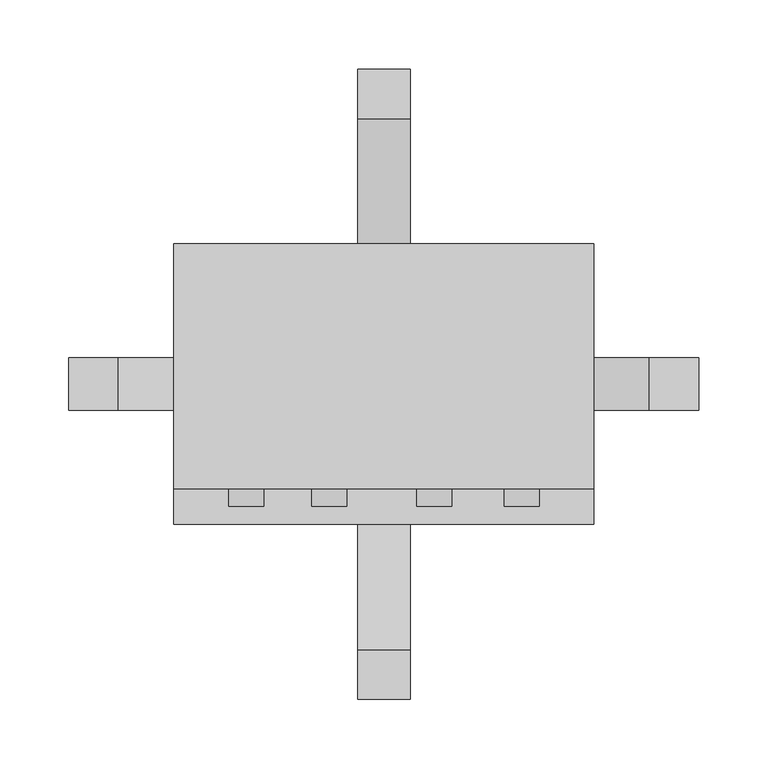
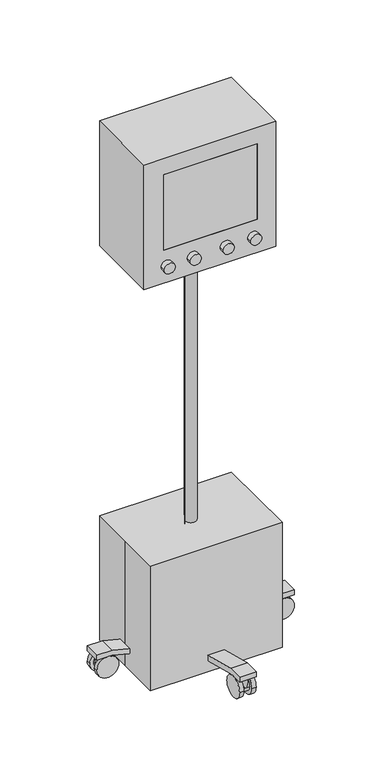
"""IFC4 building model written with IfcOpenShell, lengths in millimetres: proxy geometry."""

from ifc_helpers import new_model, si_unit, point, frame, frame_2d, origin, origin_with_axes, place, context, project, spatial, polyline, circle_curve, trimmed, segment, composite_curve, outline, extrude, faceted_brep, source, transform, mapped, element, save


def specialty_equipment_808a7331(model_context):
    return source(origin(), model_context, "Body", "SolidModel", [
        extrude(outline(composite_curve([segment(trimmed(circle_curve(frame_2d((203.0677083, 25.4)), 25.4), [point((228.4677083, 25.4))], [point((177.6677083, 25.4))], False, "CARTESIAN"), True, "CONTINUOUS"), segment(trimmed(circle_curve(frame_2d((203.0677083, 25.4)), 25.4), [point((177.6677083, 25.4))], [point((228.4677083, 25.4))], False, "CARTESIAN"), True, "CONTINUOUS")], self_intersect=False)), frame((9.4354799, 0.0, 0.0), z_axis=(1.0, 0.0, 0.0), x_axis=(0.0, 1.0, 0.0)), (0.0, 0.0, 1.0), 9.525),
        extrude(outline(composite_curve([segment(trimmed(circle_curve(frame_2d((203.0677083, 25.4)), 25.4), [point((177.6677083, 25.4))], [point((228.4677083, 25.4))], False, "CARTESIAN"), True, "CONTINUOUS"), segment(trimmed(circle_curve(frame_2d((203.0677083, 25.4)), 25.4), [point((228.4677083, 25.4))], [point((177.6677083, 25.4))], False, "CARTESIAN"), True, "CONTINUOUS")], self_intersect=False)), frame((-19.1395201, 0.0, 0.0), z_axis=(1.0, 0.0, 0.0), x_axis=(0.0, 1.0, 0.0)), (0.0, 0.0, 1.0), 9.525),
        extrude(outline(composite_curve([segment(trimmed(circle_curve(frame_2d((25.4, 203.1766257)), 25.4), [point((25.4, 177.7766257))], [point((25.4, 228.5766257))], False, "CARTESIAN"), True, "CONTINUOUS"), segment(trimmed(circle_curve(frame_2d((25.4, 203.1766257)), 25.4), [point((25.4, 228.5766257))], [point((25.4, 177.7766257))], False, "CARTESIAN"), True, "CONTINUOUS")], self_intersect=False)), frame((0.0, -19.05, 0.0), z_axis=(0.0, 1.0, 0.0), x_axis=(0.0, 0.0, 1.0)), (0.0, 0.0, 1.0), 9.525),
        extrude(outline(composite_curve([segment(trimmed(circle_curve(frame_2d((25.4, 203.1766257)), 25.4), [point((25.4, 177.7766257))], [point((25.4, 228.5766257))], False, "CARTESIAN"), True, "CONTINUOUS"), segment(trimmed(circle_curve(frame_2d((25.4, 203.1766257)), 25.4), [point((25.4, 228.5766257))], [point((25.4, 177.7766257))], False, "CARTESIAN"), True, "CONTINUOUS")], self_intersect=False)), frame((0.0, 9.525, 0.0), z_axis=(0.0, 1.0, 0.0), x_axis=(0.0, 0.0, 1.0)), (0.0, 0.0, 1.0), 9.525),
        extrude(outline(composite_curve([segment(trimmed(circle_curve(frame_2d((25.4, -203.1572284)), 25.4), [point((25.4, -228.5572284))], [point((25.4, -177.7572284))], False, "CARTESIAN"), True, "CONTINUOUS"), segment(trimmed(circle_curve(frame_2d((25.4, -203.1572284)), 25.4), [point((25.4, -177.7572284))], [point((25.4, -228.5572284))], False, "CARTESIAN"), True, "CONTINUOUS")], self_intersect=False)), frame((0.0, 9.525, 0.0), z_axis=(0.0, 1.0, 0.0), x_axis=(0.0, 0.0, 1.0)), (0.0, 0.0, 1.0), 9.525),
        extrude(outline(composite_curve([segment(trimmed(circle_curve(frame_2d((25.4, -203.1572284)), 25.4), [point((25.4, -177.7572284))], [point((25.4, -228.5572284))], False, "CARTESIAN"), True, "CONTINUOUS"), segment(trimmed(circle_curve(frame_2d((25.4, -203.1572284)), 25.4), [point((25.4, -228.5572284))], [point((25.4, -177.7572284))], False, "CARTESIAN"), True, "CONTINUOUS")], self_intersect=False)), frame((0.0, -19.05, 0.0), z_axis=(0.0, 1.0, 0.0), x_axis=(0.0, 0.0, 1.0)), (0.0, 0.0, 1.0), 9.525),
        extrude(outline(composite_curve([segment(trimmed(circle_curve(frame_2d((-203.2165365, 25.4)), 25.4), [point((-177.8165365, 25.4))], [point((-228.6165365, 25.4))], False, "CARTESIAN"), True, "CONTINUOUS"), segment(trimmed(circle_curve(frame_2d((-203.2165365, 25.4)), 25.4), [point((-228.6165365, 25.4))], [point((-177.8165365, 25.4))], False, "CARTESIAN"), True, "CONTINUOUS")], self_intersect=False)), frame((-19.1395201, 0.0, 0.0), z_axis=(1.0, 0.0, 0.0), x_axis=(0.0, 1.0, 0.0)), (0.0, 0.0, 1.0), 9.525),
        extrude(outline(composite_curve([segment(trimmed(circle_curve(frame_2d((-203.2165365, 25.4)), 25.4), [point((-177.8165365, 25.4))], [point((-228.6165365, 25.4))], False, "CARTESIAN"), True, "CONTINUOUS"), segment(trimmed(circle_curve(frame_2d((-203.2165365, 25.4)), 25.4), [point((-228.6165365, 25.4))], [point((-177.8165365, 25.4))], False, "CARTESIAN"), True, "CONTINUOUS")], self_intersect=False)), frame((9.4354799, 0.0, 0.0), z_axis=(1.0, 0.0, 0.0), x_axis=(0.0, 1.0, 0.0)), (0.0, 0.0, 1.0), 9.525),
        extrude(outline(composite_curve([segment(trimmed(circle_curve(frame_2d((-0.0895201, 211.534375)), 8.4666667), [point((-8.5561868, 211.534375))], [point((8.3771466, 211.534375))], False, "CARTESIAN"), True, "CONTINUOUS"), segment(trimmed(circle_curve(frame_2d((-0.0895201, 211.534375)), 8.4666667), [point((8.3771466, 211.534375))], [point((-8.5561868, 211.534375))], False, "CARTESIAN"), True, "CONTINUOUS")], self_intersect=False)), frame((0.0, 0.0, 25.4), z_axis=(0.0, 0.0, 1.0), x_axis=(1.0, 0.0, 0.0)), (0.0, 0.0, 1.0), 25.4),
        extrude(outline(composite_curve([segment(trimmed(circle_curve(frame_2d((203.0677083, 25.4)), 16.9333333), [point((186.134375, 25.4))], [point((220.0010417, 25.4))], False, "CARTESIAN"), True, "CONTINUOUS"), segment(trimmed(circle_curve(frame_2d((203.0677083, 25.4)), 16.9333333), [point((220.0010417, 25.4))], [point((186.134375, 25.4))], False, "CARTESIAN"), True, "CONTINUOUS")], self_intersect=False)), frame((-9.6145201, 0.0, 0.0), z_axis=(1.0, 0.0, 0.0), x_axis=(0.0, 1.0, 0.0)), (0.0, 0.0, 1.0), 19.05),
        extrude(outline(composite_curve([segment(trimmed(circle_curve(frame_2d((211.6432924, 0.0)), 8.4666667), [point((211.6432924, 8.4666667))], [point((211.6432924, -8.4666667))], False, "CARTESIAN"), True, "CONTINUOUS"), segment(trimmed(circle_curve(frame_2d((211.6432924, 0.0)), 8.4666667), [point((211.6432924, -8.4666667))], [point((211.6432924, 8.4666667))], False, "CARTESIAN"), True, "CONTINUOUS")], self_intersect=False)), frame((0.0, 0.0, 25.4), z_axis=(0.0, 0.0, 1.0), x_axis=(1.0, 0.0, 0.0)), (0.0, 0.0, 1.0), 25.4),
        extrude(outline(composite_curve([segment(trimmed(circle_curve(frame_2d((25.4, 203.1766257)), 16.9333333), [point((25.4, 186.2432924))], [point((25.4, 220.1099591))], False, "CARTESIAN"), True, "CONTINUOUS"), segment(trimmed(circle_curve(frame_2d((25.4, 203.1766257)), 16.9333333), [point((25.4, 220.1099591))], [point((25.4, 186.2432924))], False, "CARTESIAN"), True, "CONTINUOUS")], self_intersect=False)), frame((0.0, -9.525, 0.0), z_axis=(0.0, 1.0, 0.0), x_axis=(0.0, 0.0, 1.0)), (0.0, 0.0, 1.0), 19.05),
        extrude(outline(composite_curve([segment(trimmed(circle_curve(frame_2d((-211.6238951, 0.0)), 8.4666667), [point((-211.6238951, -8.4666667))], [point((-211.6238951, 8.4666667))], False, "CARTESIAN"), True, "CONTINUOUS"), segment(trimmed(circle_curve(frame_2d((-211.6238951, 0.0)), 8.4666667), [point((-211.6238951, 8.4666667))], [point((-211.6238951, -8.4666667))], False, "CARTESIAN"), True, "CONTINUOUS")], self_intersect=False)), frame((0.0, 0.0, 25.4), z_axis=(0.0, 0.0, 1.0), x_axis=(1.0, 0.0, 0.0)), (0.0, 0.0, 1.0), 25.4),
        extrude(outline(composite_curve([segment(trimmed(circle_curve(frame_2d((25.4, -203.1572284)), 16.9333333), [point((25.4, -186.2238951))], [point((25.4, -220.0905618))], False, "CARTESIAN"), True, "CONTINUOUS"), segment(trimmed(circle_curve(frame_2d((25.4, -203.1572284)), 16.9333333), [point((25.4, -220.0905618))], [point((25.4, -186.2238951))], False, "CARTESIAN"), True, "CONTINUOUS")], self_intersect=False)), frame((0.0, -9.525, 0.0), z_axis=(0.0, 1.0, 0.0), x_axis=(0.0, 0.0, 1.0)), (0.0, 0.0, 1.0), 19.05),
        extrude(outline(composite_curve([segment(trimmed(circle_curve(frame_2d((-0.0895201, -211.6832031)), 8.4666667), [point((8.3771466, -211.6832031))], [point((-8.5561868, -211.6832031))], False, "CARTESIAN"), True, "CONTINUOUS"), segment(trimmed(circle_curve(frame_2d((-0.0895201, -211.6832031)), 8.4666667), [point((-8.5561868, -211.6832031))], [point((8.3771466, -211.6832031))], False, "CARTESIAN"), True, "CONTINUOUS")], self_intersect=False)), frame((0.0, 0.0, 25.4), z_axis=(0.0, 0.0, 1.0), x_axis=(1.0, 0.0, 0.0)), (0.0, 0.0, 1.0), 25.4),
        extrude(outline(composite_curve([segment(trimmed(circle_curve(frame_2d((-203.2165365, 25.4)), 16.9333333), [point((-186.2832031, 25.4))], [point((-220.1498698, 25.4))], False, "CARTESIAN"), True, "CONTINUOUS"), segment(trimmed(circle_curve(frame_2d((-203.2165365, 25.4)), 16.9333333), [point((-220.1498698, 25.4))], [point((-186.2832031, 25.4))], False, "CARTESIAN"), True, "CONTINUOUS")], self_intersect=False)), frame((-9.6145201, 0.0, 0.0), z_axis=(1.0, 0.0, 0.0), x_axis=(0.0, 1.0, 0.0)), (0.0, 0.0, 1.0), 19.05),
        extrude(outline(polyline([(-228.6, 63.5), (-192.6166667, 63.5), (-44.45, 25.4), (44.45, 25.4), (192.6166667, 63.5), (228.6, 63.5), (228.6, 50.8), (193.8216772, 50.8), (45.6550105, 12.7), (-45.6550105, 12.7), (-193.8216772, 50.8), (-228.6, 50.8), (-228.6, 63.5)])), frame((-19.1395201, 0.0, 0.0), z_axis=(1.0, 0.0, 0.0), x_axis=(0.0, 1.0, 0.0)), (0.0, 0.0, 1.0), 38.1),
        extrude(outline(composite_curve([segment(trimmed(circle_curve(frame_2d((-0.0895201, 0.0)), 12.7), [point((-12.7895201, 0.0))], [point((12.6104799, 0.0))], False, "CARTESIAN"), True, "CONTINUOUS"), segment(trimmed(circle_curve(frame_2d((-0.0895201, 0.0)), 12.7), [point((12.6104799, 0.0))], [point((-12.7895201, 0.0))], False, "CARTESIAN"), True, "CONTINUOUS")], self_intersect=False)), frame((0.0, 0.0, 12.7), z_axis=(0.0, 0.0, 1.0), x_axis=(1.0, 0.0, 0.0)), (0.0, 0.0, 1.0), 952.5),
        extrude(outline(polyline([(63.5, -228.6895201), (50.8, -228.6895201), (50.8, -193.9111973), (12.7, -45.7445306), (12.7, 45.5654904), (50.8, 193.7321571), (50.8, 228.5104799), (63.5, 228.5104799), (63.5, 192.5271466), (25.4, 44.3604799), (25.4, -44.5395201), (63.5, -192.7061868), (63.5, -228.6895201)])), frame((0.0, -19.05, 0.0), z_axis=(0.0, 1.0, 0.0), x_axis=(0.0, 0.0, 1.0)), (0.0, 0.0, 1.0), 38.1),
        extrude(outline(composite_curve([segment(trimmed(circle_curve(frame_2d((1006.3587525, 100.0366492)), 12.7), [point((1006.3587525, 112.7366492))], [point((1006.3587525, 87.3366492))], False, "CARTESIAN"), True, "CONTINUOUS"), segment(trimmed(circle_curve(frame_2d((1006.3587525, 100.0366492)), 12.7), [point((1006.3587525, 87.3366492))], [point((1006.3587525, 112.7366492))], False, "CARTESIAN"), True, "CONTINUOUS")], self_intersect=False)), frame((0.0, -88.9, 0.0), z_axis=(0.0, 1.0, 0.0), x_axis=(0.0, 0.0, 1.0)), (0.0, 0.0, 1.0), 12.7),
        extrude(outline(composite_curve([segment(trimmed(circle_curve(frame_2d((1006.3587525, -39.7116492)), 12.7), [point((1006.3587525, -52.4116492))], [point((1006.3587525, -27.0116492))], False, "CARTESIAN"), True, "CONTINUOUS"), segment(trimmed(circle_curve(frame_2d((1006.3587525, -39.7116492)), 12.7), [point((1006.3587525, -27.0116492))], [point((1006.3587525, -52.4116492))], False, "CARTESIAN"), True, "CONTINUOUS")], self_intersect=False)), frame((0.0, -88.9, 0.0), z_axis=(0.0, 1.0, 0.0), x_axis=(0.0, 0.0, 1.0)), (0.0, 0.0, 1.0), 12.7),
        extrude(outline(composite_curve([segment(trimmed(circle_curve(frame_2d((1006.3587525, -100.0366492)), 12.7), [point((1006.3587525, -112.7366492))], [point((1006.3587525, -87.3366492))], False, "CARTESIAN"), True, "CONTINUOUS"), segment(trimmed(circle_curve(frame_2d((1006.3587525, -100.0366492)), 12.7), [point((1006.3587525, -87.3366492))], [point((1006.3587525, -112.7366492))], False, "CARTESIAN"), True, "CONTINUOUS")], self_intersect=False)), frame((0.0, -88.9, 0.0), z_axis=(0.0, 1.0, 0.0), x_axis=(0.0, 0.0, 1.0)), (0.0, 0.0, 1.0), 12.7),
        extrude(outline(composite_curve([segment(trimmed(circle_curve(frame_2d((1006.3587525, 36.4883508)), 12.7), [point((1006.3587525, 23.7883508))], [point((1006.3587525, 49.1883508))], False, "CARTESIAN"), True, "CONTINUOUS"), segment(trimmed(circle_curve(frame_2d((1006.3587525, 36.4883508)), 12.7), [point((1006.3587525, 49.1883508))], [point((1006.3587525, 23.7883508))], False, "CARTESIAN"), True, "CONTINUOUS")], self_intersect=False)), frame((0.0, -88.9, 0.0), z_axis=(0.0, 1.0, 0.0), x_axis=(0.0, 0.0, 1.0)), (0.0, 0.0, 1.0), 12.7),
        extrude(outline(polyline([(109.187649, -76.2), (-106.712351, -76.2), (-106.712351, -69.85), (109.187649, -69.85), (109.187649, -76.2)])), frame((0.0, 0.0, 1046.2028485), z_axis=(0.0, 0.0, 1.0), x_axis=(1.0, 0.0, 0.0)), (0.0, 0.0, 1.0), 184.15),
        faceted_brep([(152.4, -76.2, 1270.0), (-152.4, -76.2, 1270.0), (-152.4, -76.2, 965.2), (152.4, -76.2, 965.2), (-106.712351, -76.2, 1230.3528485), (109.187649, -76.2, 1230.3528485), (109.187649, -76.2, 1046.2028485), (-106.712351, -76.2, 1046.2028485), (152.4, 101.6, 1270.0), (152.4, 101.6, 965.2), (-152.4, 101.6, 965.2), (-152.4, 101.6, 1270.0), (109.187649, -63.5, 1230.3528485), (-106.712351, -63.5, 1230.3528485), (-106.712351, -63.5, 1046.2028485), (109.187649, -63.5, 1046.2028485)], [[[0, 1, 2, 3], [4, 5, 6, 7]], [[8, 9, 10, 11]], [[1, 0, 8, 11]], [[2, 1, 11, 10]], [[3, 2, 10, 9]], [[0, 3, 9, 8]], [[12, 13, 14, 15]], [[13, 12, 5, 4]], [[14, 13, 4, 7]], [[15, 14, 7, 6]], [[12, 15, 6, 5]]]),
        extrude(outline(polyline([(-152.4, 101.6), (152.4, 101.6), (152.4, -101.6), (-152.4, -101.6), (-152.4, 0.0), (-152.4, 101.6)])), origin_with_axes(), (0.0, 0.0, 1.0), 304.8),
    ])


if __name__ == "__main__":
    model = new_model("IFC4")
    model_context = context("Model", 3, world=origin())
    ifc_project = project(units=[si_unit("LENGTHUNIT", "METRE", prefix="MILLI")], contexts=[model_context])
    site = spatial("IfcSite", under=ifc_project)
    building = spatial("IfcBuilding", under=site)
    placement = place(None, origin())
    specialty_equipment_shape = specialty_equipment_808a7331(model_context)
    element("IfcBuildingElementProxy", 1, Name="Specialty Equipment", at=placement, inside=building, context=model_context, shape_type="MappedRepresentation", body=[
        mapped(specialty_equipment_shape, transform((0.0, 0.0, 0.0), x_axis=(1.0, 0.0, 0.0), y_axis=(0.0, 1.0, 0.0), z_axis=(0.0, 0.0, 1.0))),
    ])
    save(model, "model.ifc")
